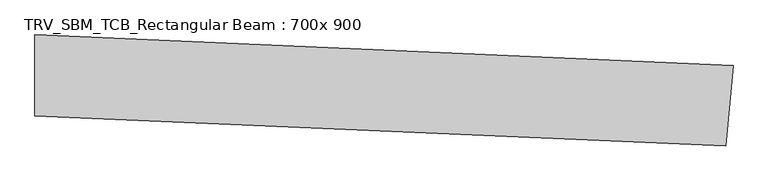
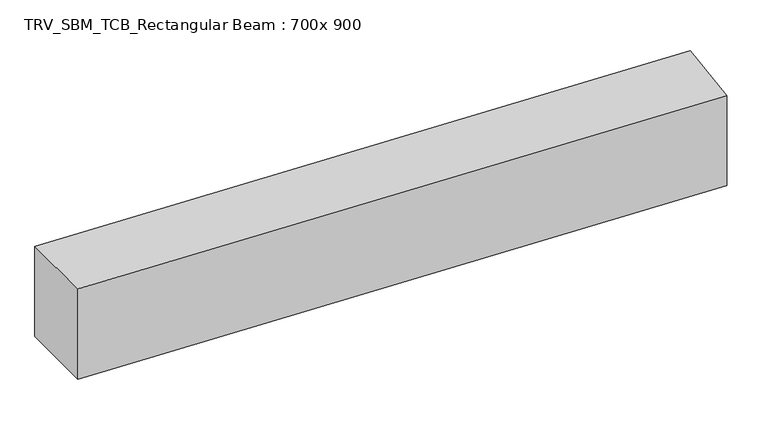
"""IFC4 building model written with IfcOpenShell, lengths in millimetres: beam geometry, TRV_SBM_TCB_Rectangular Beam : 700x 900."""

from ifc_helpers import new_model, si_unit, point, frame, frame_2d, origin, place, context, project, spatial, polyline, circle_curve, trimmed, segment, composite_curve, outline, extrude, source, transform, mapped, element, save


def trv_sbm_tcb_rectangular_beam_700x_900_d6a69819(model_context):
    return source(origin(), model_context, "Body", "SweptSolid", [
        extrude(outline(composite_curve([segment(polyline([(6010.4987138, 86.0543962), (5949.1373148, -611.2509736)]), True, "CONTINUOUS"), segment(trimmed(circle_curve(frame_2d((0.0, -68216.7075817)), 67866.7075817), [point((5949.1373148, -611.2509736))], [point((-12.6365344, -350.0011764))], True, "CARTESIAN"), True, "CONTINUOUS"), segment(polyline([(-12.6365344, -350.0011764), (-12.7668719, 349.9988114)]), True, "CONTINUOUS"), segment(trimmed(circle_curve(frame_2d((0.0, -68216.7075817)), 68566.7075817), [point((-12.7668719, 349.9988114))], [point((6010.4987138, 86.0543962))], False, "CARTESIAN"), True, "CONTINUOUS")], self_intersect=False)), frame((0.0, 0.0, -450.0), z_axis=(0.0, 0.0, 1.0), x_axis=(1.0, 0.0, 0.0)), (0.0, 0.0, 1.0), 900.0),
    ])


if __name__ == "__main__":
    model = new_model("IFC4")
    model_context = context("Model", 3, world=origin())
    ifc_project = project(units=[si_unit("LENGTHUNIT", "METRE", prefix="MILLI")], contexts=[model_context])
    site = spatial("IfcSite", under=ifc_project)
    building = spatial("IfcBuilding", under=site)
    placement = place(None, origin())
    trv_sbm_tcb_rectangular_beam_700x_900_shape = trv_sbm_tcb_rectangular_beam_700x_900_d6a69819(model_context)
    element("IfcBeam", 1, ObjectType="TRV_SBM_TCB_Rectangular Beam : 700x 900", at=placement, inside=building, context=model_context, shape_type="MappedRepresentation", body=[
        mapped(trv_sbm_tcb_rectangular_beam_700x_900_shape, transform((0.0, 0.0, 0.0), x_axis=(1.0, 0.0, 0.0), y_axis=(0.0, 1.0, 0.0), z_axis=(0.0, 0.0, 1.0))),
    ])
    save(model, "model.ifc")
